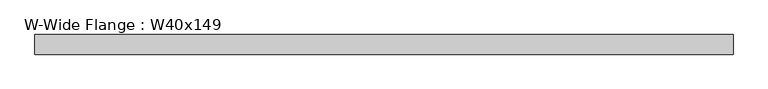
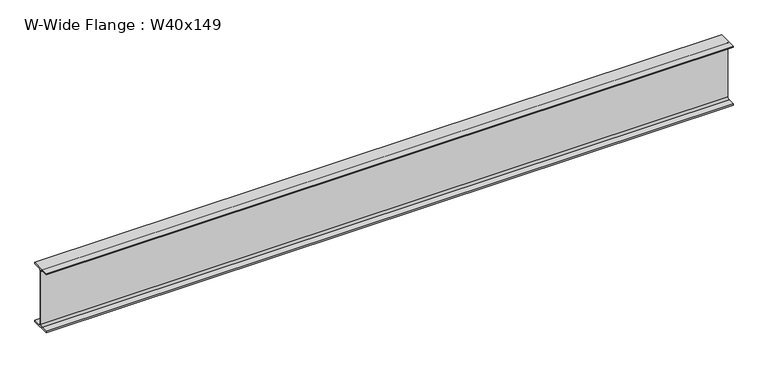
"""IFC4 building model written with IfcOpenShell, lengths in millimetres: beam geometry, W-Wide Flange : W40x149."""

from ifc_helpers import new_model, si_unit, point, frame, frame_2d, origin, place, context, project, spatial, polyline, circle_curve, trimmed, segment, composite_curve, outline, extrude, source, transform, mapped, element, save


def w_wide_flange_w40x149_debec66e(model_context):
    return source(origin(), model_context, "Body", "SweptSolid", [
        extrude(outline(composite_curve([segment(polyline([(149.86, -464.058), (149.86, -485.14), (-149.86, -485.14), (-149.86, -464.058), (-40.894, -464.058)]), True, "CONTINUOUS"), segment(trimmed(circle_curve(frame_2d((-40.894, -431.165)), 32.893), [point((-40.894, -464.058))], [point((-8.001, -431.165))], True, "CARTESIAN"), True, "CONTINUOUS"), segment(polyline([(-8.001, -431.165), (-8.001, 431.165)]), True, "CONTINUOUS"), segment(trimmed(circle_curve(frame_2d((-40.894, 431.165)), 32.893), [point((-8.001, 431.165))], [point((-40.894, 464.058))], True, "CARTESIAN"), True, "CONTINUOUS"), segment(polyline([(-40.894, 464.058), (-149.86, 464.058), (-149.86, 485.14), (149.86, 485.14), (149.86, 464.058), (40.894, 464.058)]), True, "CONTINUOUS"), segment(trimmed(circle_curve(frame_2d((40.894, 431.165)), 32.893), [point((40.894, 464.058))], [point((8.001, 431.165))], True, "CARTESIAN"), True, "CONTINUOUS"), segment(polyline([(8.001, 431.165), (8.001, -431.165)]), True, "CONTINUOUS"), segment(trimmed(circle_curve(frame_2d((40.894, -431.165)), 32.893), [point((8.001, -431.165))], [point((40.894, -464.058))], True, "CARTESIAN"), True, "CONTINUOUS"), segment(polyline([(40.894, -464.058), (149.86, -464.058)]), True, "CONTINUOUS")], self_intersect=False)), frame((-5320.0206977, 0.0, 0.0), z_axis=(1.0, 0.0, 0.0), x_axis=(0.0, 1.0, 0.0)), (0.0, 0.0, 1.0), 10640.0413955),
    ])


if __name__ == "__main__":
    model = new_model("IFC4")
    model_context = context("Model", 3, world=origin())
    ifc_project = project(units=[si_unit("LENGTHUNIT", "METRE", prefix="MILLI")], contexts=[model_context])
    site = spatial("IfcSite", under=ifc_project)
    building = spatial("IfcBuilding", under=site)
    placement = place(None, origin())
    w_wide_flange_w40x149_shape = w_wide_flange_w40x149_debec66e(model_context)
    element("IfcBeam", 1, ObjectType="W-Wide Flange : W40x149", at=placement, inside=building, context=model_context, shape_type="MappedRepresentation", body=[
        mapped(w_wide_flange_w40x149_shape, transform((0.0, 0.0, 0.0), x_axis=(1.0, 0.0, 0.0), y_axis=(0.0, 1.0, 0.0), z_axis=(0.0, 0.0, 1.0))),
    ])
    save(model, "model.ifc")
